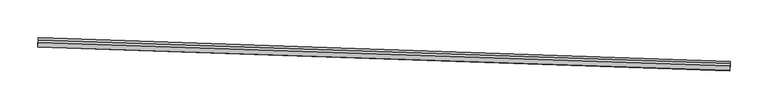
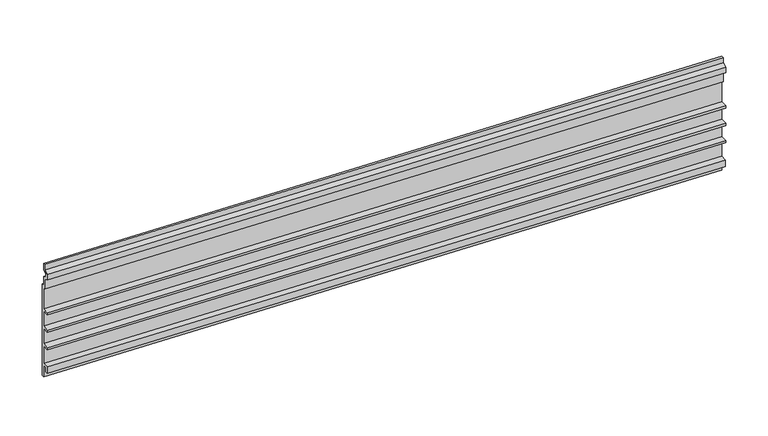
"""IFC4 building model written with IfcOpenShell, lengths in millimetres: proxy geometry."""

from ifc_helpers import new_model, si_unit, frame, origin, place, context, project, spatial, polyline, outline, extrude, source, transform, mapped, element, save


def generic_models_d7d620d7(model_context):
    return source(origin(), model_context, "Body", "SweptSolid", [
        extrude(outline(polyline([(-3.1749999, 0.0), (0.0, 0.0), (0.0, 12.7), (5.4236225, 15.2290767), (5.4236225, 19.6959233), (0.0, 22.225), (0.0, 31.75), (3.175, 31.75), (3.175, 24.247698), (9.2139907, 21.4316705), (9.2139907, 13.4933295), (3.175, 10.6773019), (3.175, -3.175), (0.0, -3.175), (0.0, -34.13125), (9.525, -34.13125), (9.525, -37.30625), (0.0, -37.30625), (0.0, -59.53125), (9.525, -59.53125), (9.525, -62.70625), (0.0, -62.70625), (0.0, -84.93125), (9.525, -84.93125), (9.525, -88.10625), (0.0, -88.10625), (0.0, -113.50625), (8.8104385, -113.50625), (8.8104385, -123.03125), (4.9129906, -123.03125), (4.9129906, -116.68125), (0.0, -116.68125), (0.0, -133.35), (-3.1749999, -133.35), (-3.1749999, 0.0)])), frame((34376.7362962, -14832.2247215, 3708.4069019), z_axis=(-0.9994149479166007, 0.03420178183747702, 0.0), x_axis=(-0.03420178183747702, -0.9994149479166007, 0.0)), (0.0, 0.0, 1.0), 914.4),
    ])


if __name__ == "__main__":
    model = new_model("IFC4")
    model_context = context("Model", 3, world=origin())
    ifc_project = project(units=[si_unit("LENGTHUNIT", "METRE", prefix="MILLI")], contexts=[model_context])
    site = spatial("IfcSite", under=ifc_project)
    building = spatial("IfcBuilding", under=site)
    placement = place(None, origin())
    generic_models_shape = generic_models_d7d620d7(model_context)
    element("IfcBuildingElementProxy", 1, Name="Generic Models", at=placement, inside=building, context=model_context, shape_type="MappedRepresentation", body=[
        mapped(generic_models_shape, transform((0.0, 0.0, 0.0), x_axis=(1.0, 0.0, 0.0), y_axis=(0.0, 1.0, 0.0), z_axis=(0.0, 0.0, 1.0))),
    ])
    save(model, "model.ifc")
